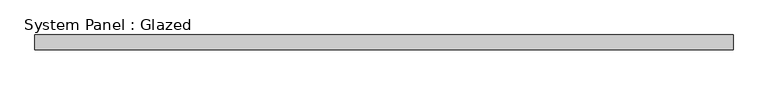
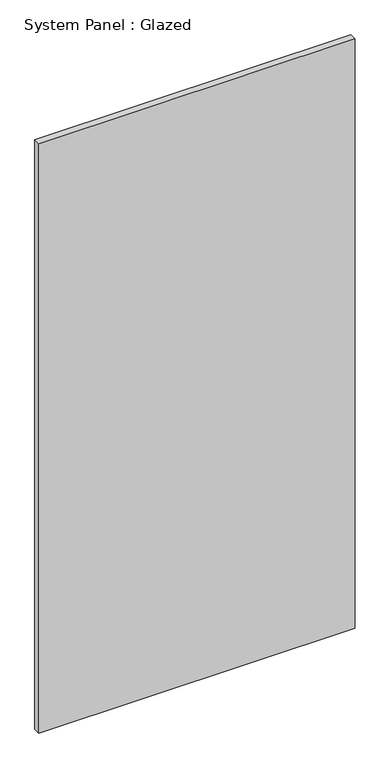
"""IFC4 building model written with IfcOpenShell, lengths in millimetres: plate geometry, System Panel : Glazed."""

from ifc_helpers import new_model, si_unit, origin, origin_with_axes, place, context, project, spatial, polyline, outline, extrude, source, transform, mapped, element, save


def system_panel_glazed_a8dc6062(model_context):
    return source(origin(), model_context, "Body", "SweptSolid", [
        extrude(outline(polyline([(594.5979167, -44.45), (-594.5979167, -44.45), (-594.5979167, -19.05), (594.5979167, -19.05), (594.5979167, -44.45)])), origin_with_axes(), (0.0, 0.0, 1.0), 2343.15),
    ])


if __name__ == "__main__":
    model = new_model("IFC4")
    model_context = context("Model", 3, world=origin())
    ifc_project = project(units=[si_unit("LENGTHUNIT", "METRE", prefix="MILLI")], contexts=[model_context])
    site = spatial("IfcSite", under=ifc_project)
    building = spatial("IfcBuilding", under=site)
    placement = place(None, origin())
    system_panel_glazed_shape = system_panel_glazed_a8dc6062(model_context)
    element("IfcPlate", 1, ObjectType="System Panel : Glazed", at=placement, inside=building, context=model_context, shape_type="MappedRepresentation", body=[
        mapped(system_panel_glazed_shape, transform((0.0, 0.0, 0.0), x_axis=(1.0, 0.0, 0.0), y_axis=(0.0, 1.0, 0.0), z_axis=(0.0, 0.0, 1.0))),
    ])
    save(model, "model.ifc")
